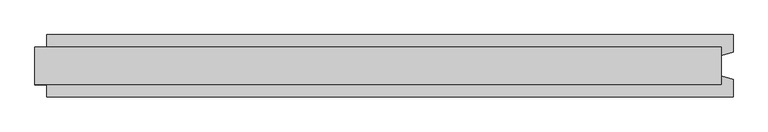
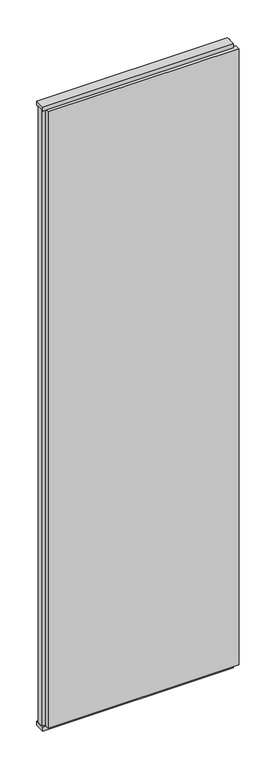
"""IFC4 building model written with IfcOpenShell, lengths in millimetres: plate geometry."""

from ifc_helpers import new_model, si_unit, frame, origin, origin_with_axes, place, context, project, spatial, polyline, outline, extrude, source, transform, mapped, element, save


def plate_0c7c7476(model_context):
    return source(origin(), model_context, "Body", "SweptSolid", [
        extrude(outline(polyline([(599.0, 52.5), (599.0, 22.9993165), (579.0, 17.6401049), (579.0, -17.6401049), (599.0, -22.9993165), (599.0, -52.5), (-559.0, -52.5), (-559.0, -22.9993165), (-579.0, -17.6401049), (-579.0, 17.6401049), (-559.0, 22.9993165), (-559.0, 52.5), (599.0, 52.5)])), frame((0.0, 0.0, 25.0), z_axis=(0.0, 0.0, 1.0), x_axis=(1.0, 0.0, 0.0)), (0.0, 0.0, 1.0), 3950.0),
        extrude(outline(polyline([(579.0, 32.0), (579.0, -32.0), (-579.0, -32.0), (-579.0, 32.0), (579.0, 32.0)])), origin_with_axes(), (0.0, 0.0, 1.0), 25.0),
        extrude(outline(polyline([(579.0, 32.0), (579.0, -32.0), (-579.0, -32.0), (-579.0, 32.0), (579.0, 32.0)])), frame((0.0, 0.0, 3975.0), z_axis=(0.0, 0.0, 1.0), x_axis=(1.0, 0.0, 0.0)), (0.0, 0.0, 1.0), 25.0),
    ])


if __name__ == "__main__":
    model = new_model("IFC4")
    model_context = context("Model", 3, world=origin())
    ifc_project = project(units=[si_unit("LENGTHUNIT", "METRE", prefix="MILLI")], contexts=[model_context])
    site = spatial("IfcSite", under=ifc_project)
    building = spatial("IfcBuilding", under=site)
    placement = place(None, origin())
    plate_shape = plate_0c7c7476(model_context)
    element("IfcPlate", 1, at=placement, inside=building, context=model_context, shape_type="MappedRepresentation", body=[
        mapped(plate_shape, transform((0.0, 0.0, 0.0), x_axis=(1.0, 0.0, 0.0), y_axis=(0.0, 1.0, 0.0), z_axis=(0.0, 0.0, 1.0))),
    ])
    save(model, "model.ifc")
